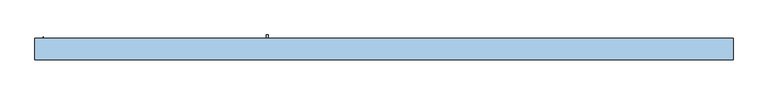
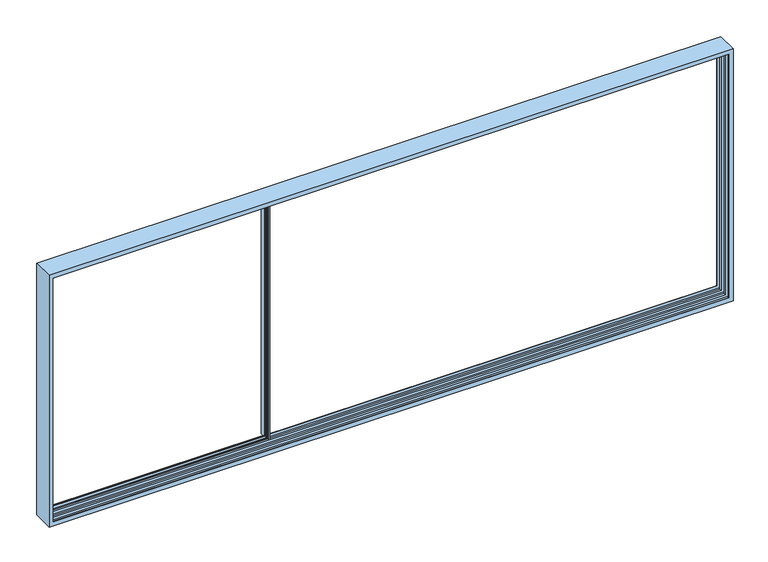
"""IFC4 building model written with IfcOpenShell, lengths in millimetres: window geometry."""

from ifc_helpers import new_model, si_unit, frame, origin, place, context, project, spatial, polyline, circle_curve, faceted_brep, source, transform, mapped, element, save
from ifc_brep_helpers import plane_surface, cylinder_surface, revolved_surface, advanced_brep


def window_5e9e1736(model_context):
    return source(origin(), model_context, "Body", "SolidModel", [
        advanced_brep(
        [(-2820.0, 114.0, 869.0), (-2820.0, 121.5, 869.0), (-2820.0, 121.5, 843.0), (-2820.0, 52.5, 843.0), (-2820.0, 52.5, 869.0), (-2820.0, 60.0, 869.0), (-2820.0, 60.0, 857.0), (-2820.0, 114.0, 857.0), (-2795.5, 114.0, 869.0), (-2795.5, 121.5, 869.0), (-2724.5, 121.5, 869.0), (-2724.5, 114.0, 869.0), (141.0, 114.0, 869.0), (141.0, 121.5, 869.0), (-2795.5, 121.5, 4231.5), (-2820.0, 121.5, 4231.5), (-2820.0, 121.5, 4257.5), (166.0, 121.5, 4257.5), (166.0, 121.5, 4243.0), (141.0, 121.5, 4243.0), (141.0, 121.5, 4231.5), (-2724.5, 121.5, 4231.5), (141.0, 121.5, 857.0), (166.0, 121.5, 857.0), (166.0, 121.5, 843.0), (-2726.5, 121.5, 4239.9999325), (-2731.8815605, 121.5, 4239.9999325), (-2731.8815605, 121.5, 860.0000675), (-2726.5, 121.5, 860.0000675), (166.0, 52.5, 843.0), (166.0, 52.5, 857.0), (154.4, 52.5, 857.0), (154.4, 52.5, 4243.0), (140.0, 52.5, 4243.0), (140.0, 52.5, 869.0), (-2724.5, 52.5, 869.0), (-2724.5, 52.5, 4239.9999325), (-2726.5, 52.5, 4239.9999325), (-2726.5, 52.5, 860.0000675), (-2731.8815605, 52.5, 860.0000675), (-2731.8815605, 52.5, 4239.9999325), (-2795.5, 52.5, 4239.9999325), (-2795.5, 52.5, 869.0), (-2795.5, 60.0, 869.0), (-2724.5, 60.0, 869.0), (140.0, 60.0, 869.0), (-2795.5, 60.0, 860.0000675), (-2738.5, 60.0, 860.0000675), (-2738.5, 60.0, 4239.9999325), (-2795.5, 60.0, 4239.9999325), (-2795.5, 60.0, 4231.5), (-2820.0, 60.0, 4231.5), (-2820.0, 60.0, 4243.0), (153.0, 60.0, 4243.0), (153.0, 60.0, 857.0), (140.0, 60.0, 4231.5), (-2724.5, 60.0, 4231.5), (153.0, 114.0, 857.0), (153.0, 114.0, 4243.0), (-2820.0, 114.0, 4243.0), (-2820.0, 114.0, 4231.5), (-2795.5, 114.0, 4231.5), (-2795.5, 114.0, 4239.9999325), (-2738.5, 114.0, 4239.9999325), (-2738.5, 114.0, 860.0000675), (-2795.5, 114.0, 860.0000675), (-2724.5, 114.0, 4231.5), (141.0, 114.0, 4231.5), (166.0, 171.5, 857.0), (166.0, 171.5, 4243.0), (166.0, 52.8, 4257.5), (166.0, 52.8, 4243.0), (166.0, 26.4969017, 4243.0), (166.0, 26.4969017, 857.0), (154.4, 26.4969017, 857.0), (141.0, 171.5, 857.0), (141.0, 171.5, 4243.0), (154.4, 26.4969017, 4243.0), (-2795.5, 52.8, 4239.9999325), (-2795.5, 52.8, 4231.5), (-2728.9977754, 123.6730879, 860.0000675), (-2728.9977754, 123.6730879, 4239.9999325), (-2727.626431, 128.4555341, 860.0000675), (-2727.739631, 130.4330365, 860.0000675), (-2733.4747822, 145.8432139, 860.0000675), (-2733.0, 146.5, 860.0000675), (-2730.2399611, 146.5, 860.0000675), (-2729.2836563, 145.7923717, 860.0000675), (-2724.6310857, 130.574499, 860.0000675), (-2724.6310857, 128.0176786, 860.0000675), (-2724.6310857, 45.9823214, 860.0000675), (-2724.6310857, 43.425501, 860.0000675), (-2729.2836563, 28.2076283, 860.0000675), (-2730.2399611, 27.5, 860.0000675), (-2733.0, 27.5, 860.0000675), (-2733.4747822, 28.1567861, 860.0000675), (-2727.739631, 43.5669635, 860.0000675), (-2727.626431, 45.5444659, 860.0000675), (-2728.9977754, 50.3269121, 860.0000675), (-2724.6310857, 128.0176786, 4239.9999325), (140.0, 52.8, 4243.0), (140.0, 52.8, 4231.5), (-2724.5, 52.8, 4231.5), (-2724.5, 52.8, 4239.9999325), (-2724.6310857, 45.9823214, 4239.9999325), (-2728.9977754, 50.3269121, 4239.9999325), (-2727.626431, 128.4555341, 4239.9999325), (-2727.739631, 130.4330365, 4239.9999325), (-2733.4747822, 145.8432139, 4239.9999325), (-2733.0, 146.5, 4239.9999325), (-2730.2399611, 146.5, 4239.9999325), (-2729.2836563, 145.7923717, 4239.9999325), (-2724.6310857, 130.574499, 4239.9999325), (-2724.6310857, 43.425501, 4239.9999325), (-2729.2836563, 28.2076283, 4239.9999325), (-2730.2399611, 27.5, 4239.9999325), (-2733.0, 27.5, 4239.9999325), (-2733.4747822, 28.1567861, 4239.9999325), (-2727.739631, 43.5669635, 4239.9999325), (-2727.626431, 45.5444659, 4239.9999325), (-2820.0, 52.8, 4257.5), (-2820.0, 52.8, 4231.5)],
        [
            (0, 1),
            (1, 2),
            (2, 3),
            (3, 4),
            (4, 5),
            (5, 6),
            (6, 7),
            (7, 0),
            (0, 8),
            (8, 9),
            (9, 1),
            (10, 11),
            (11, 12),
            (12, 13),
            (13, 10),
            (9, 14),
            (14, 15),
            (15, 16),
            (16, 17),
            (17, 18),
            (18, 19),
            (19, 20),
            (20, 21),
            (21, 10),
            (13, 22),
            (22, 23),
            (23, 24),
            (24, 2),
            (25, 26),
            (26, 27),
            (27, 28),
            (28, 25),
            (24, 29),
            (29, 3),
            (29, 30),
            (30, 31),
            (31, 32),
            (32, 33),
            (33, 34),
            (34, 35),
            (35, 36),
            (36, 37),
            (37, 38),
            (38, 39),
            (39, 40),
            (40, 41),
            (41, 42),
            (42, 4),
            (42, 43),
            (43, 5),
            (44, 35),
            (34, 45),
            (45, 44),
            (43, 46),
            (46, 47),
            (47, 48),
            (48, 49),
            (49, 50),
            (50, 51),
            (51, 52),
            (52, 53),
            (53, 54),
            (54, 6),
            (45, 55),
            (55, 56),
            (56, 44),
            (54, 57),
            (57, 7),
            (57, 58),
            (58, 59),
            (59, 60),
            (60, 61),
            (61, 62),
            (62, 63),
            (63, 64),
            (64, 65),
            (65, 8),
            (11, 66),
            (66, 67),
            (67, 12),
            (23, 68),
            (68, 69),
            (69, 18),
            (17, 70),
            (70, 71),
            (71, 72),
            (72, 73),
            (73, 30),
            (73, 74),
            (74, 31),
            (75, 68),
            (22, 75),
            (76, 69),
            (75, 76),
            (72, 77),
            (77, 74),
            (41, 78),
            (78, 79),
            (79, 50),
            (49, 62),
            (61, 14),
            (65, 46),
            (21, 66),
            (67, 20),
            (19, 76),
            (80, 27, circle_curve(frame((-2731.8815605, 124.5, 860.0000675), z_axis=(0.0, 0.0, -1.0), x_axis=(-1.0, 0.0, 0.0)), 3.0)),
            (26, 81, circle_curve(frame((-2731.8815605, 124.5, 4239.9999325), z_axis=(0.0, 0.0, 1.0), x_axis=(-1.0, 0.0, 0.0)), 3.0)),
            (81, 80),
            (80, 82),
            (82, 83, circle_curve(frame((-2730.5102161, 129.2824462, 860.0000675), z_axis=(0.0, 0.0, 1.0), x_axis=(-1.0, 0.0, 0.0)), 3.0)),
            (83, 84, circle_curve(frame((-2524.3068415, 214.9162025, 860.0000675), z_axis=(0.0, 0.0, -1.0), x_axis=(-1.0, 0.0, 0.0)), 220.2777909)),
            (84, 85, circle_curve(frame((-2733.0, 146.0, 860.0000675), z_axis=(0.0, 0.0, -1.0), x_axis=(-1.0, 0.0, 0.0)), 0.5)),
            (85, 86),
            (86, 87, circle_curve(frame((-2730.2399611, 145.5, 860.0000675), z_axis=(0.0, 0.0, -1.0), x_axis=(-1.0, 0.0, 0.0)), 1.0)),
            (87, 88),
            (88, 89, circle_curve(frame((-2729.0894319, 129.2960888, 860.0000675), z_axis=(0.0, 0.0, -1.0), x_axis=(-1.0, 0.0, 0.0)), 4.638015)),
            (89, 28),
            (64, 47),
            (38, 90),
            (90, 91, circle_curve(frame((-2729.0894319, 44.7039112, 860.0000675), z_axis=(0.0, 0.0, -1.0), x_axis=(-1.0, 0.0, 0.0)), 4.638015)),
            (91, 92),
            (92, 93, circle_curve(frame((-2730.2399611, 28.5, 860.0000675), z_axis=(0.0, 0.0, -1.0), x_axis=(-1.0, 0.0, 0.0)), 1.0)),
            (93, 94),
            (94, 95, circle_curve(frame((-2733.0, 28.0, 860.0000675), z_axis=(0.0, 0.0, -1.0), x_axis=(-1.0, 0.0, 0.0)), 0.5)),
            (95, 96, circle_curve(frame((-2524.3068415, -40.9162025, 860.0000675), z_axis=(0.0, 0.0, -1.0), x_axis=(-1.0, 0.0, 0.0)), 220.2777909)),
            (96, 97, circle_curve(frame((-2730.5102161, 44.7175538, 860.0000675), z_axis=(0.0, 0.0, 1.0), x_axis=(-1.0, 0.0, 0.0)), 3.0)),
            (97, 98),
            (98, 39, circle_curve(frame((-2731.8815605, 49.5, 860.0000675), z_axis=(0.0, 0.0, 1.0), x_axis=(-1.0, 0.0, 0.0)), 3.0)),
            (89, 99),
            (99, 25),
            (77, 32),
            (33, 100),
            (100, 101),
            (101, 55),
            (56, 102),
            (102, 103),
            (103, 36),
            (37, 104),
            (104, 90),
            (98, 105),
            (105, 40, circle_curve(frame((-2731.8815605, 49.5, 4239.9999325), z_axis=(0.0, 0.0, 1.0), x_axis=(-1.0, 0.0, 0.0)), 3.0)),
            (63, 48),
            (53, 58),
            (81, 106),
            (106, 82),
            (106, 107, circle_curve(frame((-2730.5102161, 129.2824462, 4239.9999325), z_axis=(0.0, 0.0, 1.0), x_axis=(-1.0, 0.0, 0.0)), 3.0)),
            (107, 83),
            (107, 108, circle_curve(frame((-2524.3068415, 214.9162025, 4239.9999325), z_axis=(0.0, 0.0, -1.0), x_axis=(-1.0, 0.0, 0.0)), 220.2777909)),
            (108, 84),
            (108, 109, circle_curve(frame((-2733.0, 146.0, 4239.9999325), z_axis=(0.0, 0.0, -1.0), x_axis=(-1.0, 0.0, 0.0)), 0.5)),
            (109, 85),
            (109, 110),
            (110, 86),
            (110, 111, circle_curve(frame((-2730.2399611, 145.5, 4239.9999325), z_axis=(0.0, 0.0, -1.0), x_axis=(-1.0, 0.0, 0.0)), 1.0)),
            (111, 87),
            (111, 112),
            (112, 88),
            (112, 99, circle_curve(frame((-2729.0894319, 129.2960888, 4239.9999325), z_axis=(0.0, 0.0, -1.0), x_axis=(-1.0, 0.0, 0.0)), 4.638015)),
            (104, 113, circle_curve(frame((-2729.0894319, 44.7039112, 4239.9999325), z_axis=(0.0, 0.0, -1.0), x_axis=(-1.0, 0.0, 0.0)), 4.638015)),
            (113, 91),
            (113, 114),
            (114, 92),
            (114, 115, circle_curve(frame((-2730.2399611, 28.5, 4239.9999325), z_axis=(0.0, 0.0, -1.0), x_axis=(-1.0, 0.0, 0.0)), 1.0)),
            (115, 93),
            (115, 116),
            (116, 94),
            (116, 117, circle_curve(frame((-2733.0, 28.0, 4239.9999325), z_axis=(0.0, 0.0, -1.0), x_axis=(-1.0, 0.0, 0.0)), 0.5)),
            (117, 95),
            (117, 118, circle_curve(frame((-2524.3068415, -40.9162025, 4239.9999325), z_axis=(0.0, 0.0, -1.0), x_axis=(-1.0, 0.0, 0.0)), 220.2777909)),
            (118, 96),
            (118, 119, circle_curve(frame((-2730.5102161, 44.7175538, 4239.9999325), z_axis=(0.0, 0.0, 1.0), x_axis=(-1.0, 0.0, 0.0)), 3.0)),
            (119, 97),
            (119, 105),
            (71, 100),
            (16, 120),
            (120, 70),
            (120, 121),
            (121, 79),
            (78, 103),
            (102, 101),
            (60, 15),
            (59, 52),
            (51, 121),
        ],
        [
            plane_surface(frame((-2820.0, 121.5, 869.0), z_axis=(-1.0, 0.0, 0.0), x_axis=(0.0, 1.0, 0.0))),
            plane_surface(frame((-2820.0, 114.0, 869.0), z_axis=(0.0, 0.0, 1.0), x_axis=(1.0, 0.0, 0.0))),
            plane_surface(frame((-2820.0, 121.5, 869.0), z_axis=(0.0, 1.0, 0.0), x_axis=(1.0, 0.0, 0.0))),
            plane_surface(frame((-2820.0, 121.5, 843.0), z_axis=(0.0, 0.0, -1.0), x_axis=(1.0, 0.0, 0.0))),
            plane_surface(frame((-2820.0, 52.5, 843.0), z_axis=(0.0, -1.0, 0.0), x_axis=(1.0, 0.0, 0.0))),
            plane_surface(frame((-2820.0, 52.5, 869.0), z_axis=(0.0, 0.0, 1.0), x_axis=(1.0, 0.0, 0.0))),
            plane_surface(frame((-2820.0, 60.0, 869.0), z_axis=(0.0, 1.0, 0.0), x_axis=(1.0, 0.0, 0.0))),
            plane_surface(frame((-2820.0, 60.0, 857.0), z_axis=(0.0, 0.0, 1.0), x_axis=(1.0, 0.0, 0.0))),
            plane_surface(frame((-2820.0, 114.0, 857.0), z_axis=(0.0, -1.0, 0.0), x_axis=(1.0, 0.0, 0.0))),
            plane_surface(frame((166.0, 121.5, 869.0), z_axis=(1.0, 0.0, 0.0), x_axis=(0.0, -1.0, 0.0))),
            plane_surface(frame((141.0, 171.5, 857.0), z_axis=(0.0, 0.0, -1.0), x_axis=(1.0, 0.0, 0.0))),
            plane_surface(frame((166.0, 171.5, 4243.0), z_axis=(0.0, 1.0, 0.0), x_axis=(0.0, 0.0, -1.0))),
            plane_surface(frame((154.4, 26.4969017, 4243.0), z_axis=(0.0, -1.0, 0.0), x_axis=(0.0, 0.0, -1.0))),
            plane_surface(frame((-2795.5, 52.5, 860.0000675), z_axis=(-1.0, 0.0, 0.0), x_axis=(0.0, 0.0, 1.0))),
            plane_surface(frame((-2724.5, 121.5, 860.0000675), z_axis=(1.0, 0.0, 0.0), x_axis=(0.0, 0.0, 1.0))),
            plane_surface(frame((141.0, 171.5, 4243.0), z_axis=(-1.0, 0.0, 0.0), x_axis=(0.0, 0.0, -1.0))),
            revolved_surface(polyline([(-2734.8815605, 124.5, 4239.9999325), (-2734.8815605, 124.5, 860.0000675)]), (-2731.8815605, 124.5, 860.0000675), (0.0, 0.0, 1.0)),
            plane_surface(frame((-2724.5, 100.0, 860.0000675), z_axis=(0.0, 0.0, -1.0), x_axis=(0.0, -1.0, 0.0))),
            plane_surface(frame((-2724.6310857, 128.0176786, 860.0000675), z_axis=(0.9612616959423058, -0.27563735580309523, 0.0), x_axis=(0.0, 0.0, 1.0))),
            plane_surface(frame((154.4, 52.5, 4243.0), z_axis=(-1.0, 0.0, 0.0), x_axis=(0.0, 0.0, -1.0))),
            plane_surface(frame((140.0, 60.0, 4243.0), z_axis=(-1.0, 0.0, 0.0), x_axis=(0.0, 0.0, -1.0))),
            plane_surface(frame((-2724.5, 60.0, 860.0000675), z_axis=(1.0, 0.0, 0.0), x_axis=(0.0, 0.0, 1.0))),
            plane_surface(frame((-2726.5, 52.5, 860.0000675), z_axis=(0.9612616959383166, 0.2756373558170074, 0.0), x_axis=(0.0, 0.0, 1.0))),
            revolved_surface(polyline([(-2734.8815605, 49.5, 4239.9999325), (-2734.8815605, 49.5, 860.0000675)]), (-2731.8815605, 49.5, 860.0000675), (0.0, 0.0, 1.0)),
            plane_surface(frame((-2738.5, 114.0, 860.0000675), z_axis=(1.0, 0.0, 0.0), x_axis=(0.0, 0.0, 1.0))),
            plane_surface(frame((153.0, 114.0, 4243.0), z_axis=(-1.0, 0.0, 0.0), x_axis=(0.0, 0.0, -1.0))),
            plane_surface(frame((-2728.9977754, 123.6730879, 860.0000675), z_axis=(-0.9612616959383448, 0.27563735581690907, 0.0), x_axis=(0.0, 0.0, 1.0))),
            revolved_surface(polyline([(-2733.5102161, 129.2824462, 4239.9999325), (-2733.5102161, 129.2824462, 860.0000675)]), (-2730.5102161, 129.2824462, 860.0000675), (0.0, 0.0, 1.0)),
            cylinder_surface(frame((-2524.3068415, 214.9162025, 860.0000675), z_axis=(0.0, 0.0, -1.0), x_axis=(-1.0, 0.0, 0.0)), 220.2777909),
            cylinder_surface(frame((-2733.0, 146.0, 860.0000675), z_axis=(0.0, 0.0, -1.0), x_axis=(-1.0, 0.0, 0.0)), 0.5),
            plane_surface(frame((-2733.0, 146.5, 860.0000675), z_axis=(0.0, 1.0, 0.0), x_axis=(0.0, 0.0, 1.0))),
            cylinder_surface(frame((-2730.2399611, 145.5, 860.0000675), z_axis=(0.0, 0.0, -1.0), x_axis=(-1.0, 0.0, 0.0)), 1.0),
            plane_surface(frame((-2729.2836563, 145.7923717, 860.0000675), z_axis=(0.9563047559652363, 0.2923717047155383, 0.0), x_axis=(0.0, 0.0, 1.0))),
            cylinder_surface(frame((-2729.0894319, 129.2960888, 860.0000675), z_axis=(0.0, 0.0, -1.0), x_axis=(-1.0, 0.0, 0.0)), 4.638015),
            cylinder_surface(frame((-2729.0894319, 44.7039112, 860.0000675), z_axis=(0.0, 0.0, -1.0), x_axis=(-1.0, 0.0, 0.0)), 4.638015),
            plane_surface(frame((-2724.6310857, 43.425501, 860.0000675), z_axis=(0.9563047559631058, -0.29237170472250656, 0.0), x_axis=(0.0, 0.0, 1.0))),
            cylinder_surface(frame((-2730.2399611, 28.5, 860.0000675), z_axis=(0.0, 0.0, -1.0), x_axis=(-1.0, 0.0, 0.0)), 1.0),
            plane_surface(frame((-2730.2399611, 27.5, 860.0000675), z_axis=(0.0, -1.0, 0.0), x_axis=(0.0, 0.0, 1.0))),
            cylinder_surface(frame((-2733.0, 28.0, 860.0000675), z_axis=(0.0, 0.0, -1.0), x_axis=(-1.0, 0.0, 0.0)), 0.5),
            cylinder_surface(frame((-2524.3068415, -40.9162025, 860.0000675), z_axis=(0.0, 0.0, -1.0), x_axis=(-1.0, 0.0, 0.0)), 220.2777909),
            revolved_surface(polyline([(-2733.5102161, 44.7175538, 4239.9999325), (-2733.5102161, 44.7175538, 860.0000675)]), (-2730.5102161, 44.7175538, 860.0000675), (0.0, 0.0, 1.0)),
            plane_surface(frame((-2727.626431, 45.5444659, 860.0000675), z_axis=(-0.9612616959387623, -0.2756373558154529, 0.0), x_axis=(0.0, 0.0, 1.0))),
            plane_surface(frame((141.0, 171.5, 4243.0), z_axis=(0.0, 0.0, 1.0), x_axis=(-1.0, 0.0, 0.0))),
            plane_surface(frame((-2820.0, 52.8, 4257.5), z_axis=(0.0, 0.0, 1.0), x_axis=(1.0, 0.0, 0.0))),
            plane_surface(frame((-2820.0, 52.8, 4231.5), z_axis=(0.0, -1.0, 0.0), x_axis=(1.0, 0.0, 0.0))),
            plane_surface(frame((-2820.0, 121.5, 4231.5), z_axis=(0.0, 0.0, -1.0), x_axis=(1.0, 0.0, 0.0))),
            plane_surface(frame((-2820.0, 121.5, 4257.5), z_axis=(-1.0, 0.0, 0.0), x_axis=(0.0, 1.0, 0.0))),
            plane_surface(frame((-2724.5, 100.0, 4239.9999325), z_axis=(0.0, 0.0, 1.0), x_axis=(0.0, -1.0, 0.0))),
            plane_surface(frame((-2820.0, 60.0, 4231.5), z_axis=(0.0, 0.0, -1.0), x_axis=(1.0, 0.0, 0.0))),
            plane_surface(frame((-2820.0, 114.0, 4243.0), z_axis=(0.0, 0.0, -1.0), x_axis=(1.0, 0.0, 0.0))),
        ],
        [
            (0, [[1, 2, 3, 4, 5, 6, 7, 8]]),
            (1, [[-1, 9, 10, 11]]),
            (1, [[12, 13, 14, 15]]),
            (2, [[-2, -11, 16, 17, 18, 19, 20, 21, 22, 23, 24, -15, 25, 26, 27, 28], [29, 30, 31, 32]]),
            (3, [[-3, -28, 33, 34]]),
            (4, [[-4, -34, 35, 36, 37, 38, 39, 40, 41, 42, 43, 44, 45, 46, 47, 48]]),
            (5, [[-5, -48, 49, 50]]),
            (5, [[51, -40, 52, 53]]),
            (6, [[-6, -50, 54, 55, 56, 57, 58, 59, 60, 61, 62, 63], [64, 65, 66, -53]]),
            (7, [[-7, -63, 67, 68]]),
            (8, [[-8, -68, 69, 70, 71, 72, 73, 74, 75, 76, 77, -9], [78, 79, 80, -13]]),
            (9, [[-33, -27, 81, 82, 83, -20, 84, 85, 86, 87, 88, -35]]),
            (10, [[89, 90, -36, -88]]),
            (10, [[91, -81, -26, 92]]),
            (11, [[93, -82, -91, 94]]),
            (12, [[95, 96, -89, -87]]),
            (13, [[-47, 97, 98, 99, -58, 100, -73, 101, -16, -10, -77, 102, -54, -49]]),
            (14, [[-12, -24, 103, -78]]),
            (15, [[-94, -92, -25, -14, -80, 104, -22, 105]]),
            (16, [[106, -30, 107, 108]]),
            (17, [[-106, 109, 110, 111, 112, 113, 114, 115, 116, 117, -31]]),
            (17, [[118, -55, -102, -76]]),
            (17, [[119, 120, 121, 122, 123, 124, 125, 126, 127, 128, -44]]),
            (18, [[-32, -117, 129, 130]]),
            (19, [[131, -37, -90, -96]]),
            (20, [[-39, 132, 133, 134, -64, -52]]),
            (21, [[-41, -51, -66, 135, 136, 137]]),
            (22, [[-119, -43, 138, 139]]),
            (23, [[-128, 140, 141, -45]]),
            (24, [[-56, -118, -75, 142]]),
            (25, [[-69, -67, -62, 143]]),
            (26, [[-109, -108, 144, 145]]),
            (27, [[-110, -145, 146, 147]]),
            (28, [[-111, -147, 148, 149]]),
            (29, [[-112, -149, 150, 151]]),
            (30, [[-113, -151, 152, 153]]),
            (31, [[-114, -153, 154, 155]]),
            (32, [[-115, -155, 156, 157]]),
            (33, [[-116, -157, 158, -129]]),
            (34, [[-120, -139, 159, 160]]),
            (35, [[-121, -160, 161, 162]]),
            (36, [[-122, -162, 163, 164]]),
            (37, [[-123, -164, 165, 166]]),
            (38, [[-124, -166, 167, 168]]),
            (39, [[-125, -168, 169, 170]]),
            (40, [[-126, -170, 171, 172]]),
            (41, [[-127, -172, 173, -140]]),
            (42, [[-93, -105, -21, -83]]),
            (42, [[-38, -131, -95, -86, 174, -132]]),
            (43, [[175, 176, -84, -19]]),
            (44, [[177, 178, -98, 179, -136, 180, -133, -174, -85, -176]]),
            (45, [[181, -17, -101, -72]]),
            (45, [[-79, -103, -23, -104]]),
            (46, [[-175, -18, -181, -71, 182, -60, 183, -177]]),
            (47, [[-46, -141, -173, -171, -169, -167, -165, -163, -161, -159, -138, -42, -137, -179, -97]]),
            (47, [[-142, -74, -100, -57]]),
            (47, [[-130, -158, -156, -154, -152, -150, -148, -146, -144, -107, -29]]),
            (48, [[-183, -59, -99, -178]]),
            (48, [[-65, -134, -180, -135]]),
            (49, [[-61, -182, -70, -143]]),
        ],
    ),
        faceted_brep([(-2820.8, 124.3, 4280.8), (-2820.8, 49.8983618, 4280.8), (-2820.8, 49.8983618, 819.2), (-2820.8, 124.3, 819.2), (6140.8, 49.8983618, 819.2), (6140.8, 124.3, 819.2), (6140.8, 49.8983618, 4280.8), (6103.0, 49.8983618, 857.0), (6103.0, 49.8983618, 4243.0), (-2783.0, 49.8983618, 4243.0), (-2783.0, 49.8983618, 857.0), (6140.8, 124.3, 4280.8), (-2783.0, 124.3, 857.0), (-2783.0, 124.3, 4243.0), (6103.0, 124.3, 4243.0), (6103.0, 124.3, 857.0), (-2783.0, 128.0, 4243.0), (-2783.0, 128.0, 857.0), (6103.0, 128.0, 857.0), (6103.0, 128.0, 4243.0), (-2840.0, 128.0, 800.0), (-2840.0, 128.0, 4300.0), (6160.0, 128.0, 4300.0), (6160.0, 128.0, 800.0), (-2840.0, -150.0, 4300.0), (-2840.0, -150.0, 800.0), (6160.0, -150.0, 800.0), (6160.0, -150.0, 4300.0), (-2783.0, -150.0, 857.0), (-2783.0, -150.0, 4243.0), (6103.0, -150.0, 4243.0), (6103.0, -150.0, 857.0), (-2783.0, -146.3, 4243.0), (-2783.0, -146.3, 857.0), (6103.0, -146.3, 857.0), (6103.0, -146.3, 4243.0), (-2820.8642152, -146.3, 819.1357848), (-2820.8642152, -146.3, 4280.8642152), (6140.8642152, -146.3, 4280.8642152), (6140.8642152, -146.3, 819.1357848), (-2820.5221068, 26.0983618, 4280.5221068), (-2820.5221068, -48.1016382, 4280.5221068), (-2820.5221068, -48.1016382, 819.4778932), (-2820.5221068, 26.0983618, 819.4778932), (6140.5221068, -48.1016382, 819.4778932), (6140.5221068, 26.0983618, 819.4778932), (6140.5221068, -48.1016382, 4280.5221068), (-2783.3935563, -48.1016382, 4243.3935563), (-2783.3935563, -48.1016382, 856.6064437), (6103.3935563, -48.1016382, 856.6064437), (6103.3935563, -48.1016382, 4243.3935563), (6140.5221068, 26.0983618, 4280.5221068), (-2783.0, 26.0983618, 857.0), (-2783.0, 26.0983618, 4243.0), (6103.0, 26.0983618, 4243.0), (6103.0, 26.0983618, 857.0), (-2820.8642152, -71.9016382, 4280.8642152), (-2820.8642152, -71.9016382, 819.1357848), (6140.8642152, -71.9016382, 819.1357848), (6140.8642152, -71.9016382, 4280.8642152), (6103.3935563, -71.9016382, 4243.3935563), (6103.3935563, -71.9016382, 856.6064437), (-2783.3935563, -71.9016382, 856.6064437), (-2783.3935563, -71.9016382, 4243.3935563)], [[[0, 1, 2, 3]], [[3, 2, 4, 5]], [[2, 1, 6, 4], [7, 8, 9, 10]], [[5, 4, 6, 11]], [[3, 5, 11, 0], [12, 13, 14, 15]], [[16, 13, 12, 17]], [[17, 12, 15, 18]], [[18, 15, 14, 19]], [[20, 21, 22, 23], [17, 18, 19, 16]], [[24, 21, 20, 25]], [[25, 20, 23, 26]], [[26, 23, 22, 27]], [[25, 26, 27, 24], [28, 29, 30, 31]], [[32, 29, 28, 33]], [[33, 28, 31, 34]], [[34, 31, 30, 35]], [[36, 37, 38, 39], [34, 35, 32, 33]], [[40, 41, 42, 43]], [[43, 42, 44, 45]], [[46, 44, 42, 41], [47, 48, 49, 50]], [[45, 44, 46, 51]], [[45, 51, 40, 43], [52, 53, 54, 55]], [[9, 53, 52, 10]], [[10, 52, 55, 7]], [[7, 55, 54, 8]], [[56, 37, 36, 57]], [[58, 39, 38, 59]], [[57, 36, 39, 58]], [[56, 57, 58, 59], [60, 61, 62, 63]], [[47, 63, 62, 48]], [[48, 62, 61, 49]], [[49, 61, 60, 50]], [[11, 6, 1, 0]], [[19, 14, 13, 16]], [[27, 22, 21, 24]], [[35, 30, 29, 32]], [[51, 46, 41, 40]], [[8, 54, 53, 9]], [[59, 38, 37, 56]], [[50, 60, 63, 47]]]),
    ])


if __name__ == "__main__":
    model = new_model("IFC4")
    model_context = context("Model", 3, world=origin())
    ifc_project = project(units=[si_unit("LENGTHUNIT", "METRE", prefix="MILLI")], contexts=[model_context])
    site = spatial("IfcSite", under=ifc_project)
    building = spatial("IfcBuilding", under=site)
    placement = place(None, origin())
    window_shape = window_5e9e1736(model_context)
    element("IfcWindow", 1, at=placement, inside=building, context=model_context, shape_type="MappedRepresentation", body=[
        mapped(window_shape, transform((0.0, 0.0, 0.0), x_axis=(1.0, 0.0, 0.0), y_axis=(0.0, 1.0, 0.0), z_axis=(0.0, 0.0, 1.0))),
    ])
    save(model, "model.ifc")
